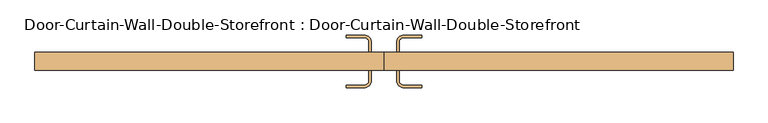
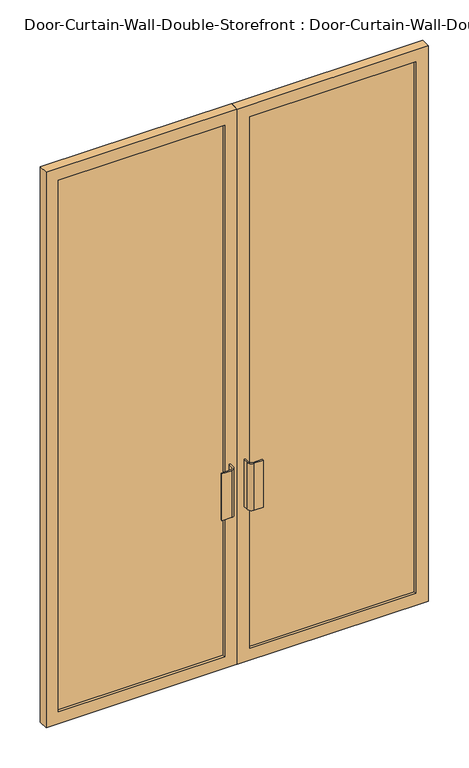
"""IFC4 building model written with IfcOpenShell, lengths in millimetres: door geometry, Door-Curtain-Wall-Double-Storefront : Door-Curtain-Wall-Double-Storefront."""

from ifc_helpers import new_model, si_unit, point, frame, frame_2d, origin, place, context, project, spatial, polyline, circle_curve, trimmed, segment, composite_curve, outline, extrude, source, transform, mapped, element, save


def door_curtain_wall_double_storefront_door_curtain_wall_double_0df2ced9(model_context):
    return source(origin(), model_context, "Body", "SweptSolid", [
        extrude(outline(polyline([(2711.45, 0.7668501), (0.0, 0.7668501), (0.0, 882.65), (2711.45, 882.65), (2711.45, 0.7668501)]), holes=[polyline([(2654.3, 57.9168501), (2654.3, 825.5), (57.15, 825.5), (57.15, 57.9168501), (2654.3, 57.9168501)])]), frame((0.0, 12.7, 0.0), z_axis=(0.0, 1.0, 0.0), x_axis=(0.0, 0.0, 1.0)), (0.0, 0.0, 1.0), 44.45),
        extrude(outline(polyline([(2711.45, -0.8206499), (2711.45, -882.65), (0.0, -882.65), (0.0, -0.8206499), (2711.45, -0.8206499)]), holes=[polyline([(2654.3, -825.5), (2654.3, -57.9706499), (57.15, -57.9706499), (57.15, -825.5), (2654.3, -825.5)])]), frame((0.0, 12.7, 0.0), z_axis=(0.0, 1.0, 0.0), x_axis=(0.0, 0.0, 1.0)), (0.0, 0.0, 1.0), 44.45),
        extrude(outline(polyline([(825.5, 25.4), (57.9168501, 25.4), (57.9168501, 44.45), (825.5, 44.45), (825.5, 25.4)])), frame((0.0, 0.0, 57.15), z_axis=(0.0, 0.0, 1.0), x_axis=(1.0, 0.0, 0.0)), (0.0, 0.0, 1.0), 2597.15),
        extrude(outline(polyline([(-57.9706499, 25.4), (-825.5, 25.4), (-825.5, 44.45), (-57.9706499, 44.45), (-57.9706499, 25.4)])), frame((0.0, 0.0, 57.15), z_axis=(0.0, 0.0, 1.0), x_axis=(1.0, 0.0, 0.0)), (0.0, 0.0, 1.0), 2597.15),
        extrude(outline(composite_curve([segment(trimmed(circle_curve(frame_2d((-50.8268999, -12.7)), 19.05), [point((-31.7768999, -12.7))], [point((-50.8268999, -31.75))], False, "CARTESIAN"), True, "CONTINUOUS"), segment(polyline([(-50.8268999, -31.75), (-95.2768999, -31.75), (-95.2768999, -25.4), (-50.8268999, -25.4)]), True, "CONTINUOUS"), segment(trimmed(circle_curve(frame_2d((-50.8268999, -12.7)), 12.7), [point((-50.8268999, -25.4))], [point((-38.1268999, -12.7))], True, "CARTESIAN"), True, "CONTINUOUS"), segment(polyline([(-38.1268999, -12.7), (-38.1268999, 12.7), (-31.7768999, 12.7), (-31.7768999, -12.7)]), True, "CONTINUOUS")], self_intersect=False)), frame((0.0, 0.0, 762.0), z_axis=(0.0, 0.0, 1.0), x_axis=(1.0, 0.0, 0.0)), (0.0, 0.0, 1.0), 228.6),
        extrude(outline(composite_curve([segment(polyline([(31.7231001, -12.7), (31.7231001, 12.7), (38.0731001, 12.7), (38.0731001, -12.7)]), True, "CONTINUOUS"), segment(trimmed(circle_curve(frame_2d((50.7731001, -12.7)), 12.7), [point((38.0731001, -12.7))], [point((50.7731001, -25.4))], True, "CARTESIAN"), True, "CONTINUOUS"), segment(polyline([(50.7731001, -25.4), (95.2231001, -25.4), (95.2231001, -31.75), (50.7731001, -31.75)]), True, "CONTINUOUS"), segment(trimmed(circle_curve(frame_2d((50.7731001, -12.7)), 19.05), [point((50.7731001, -31.75))], [point((31.7231001, -12.7))], False, "CARTESIAN"), True, "CONTINUOUS")], self_intersect=False)), frame((0.0, 0.0, 762.0), z_axis=(0.0, 0.0, 1.0), x_axis=(1.0, 0.0, 0.0)), (0.0, 0.0, 1.0), 228.6),
        extrude(outline(composite_curve([segment(polyline([(-31.7768999, 82.55), (-31.7768999, 57.15), (-38.1268999, 57.15), (-38.1268999, 82.55)]), True, "CONTINUOUS"), segment(trimmed(circle_curve(frame_2d((-50.8268999, 82.55)), 12.7), [point((-38.1268999, 82.55))], [point((-50.8268999, 95.25))], True, "CARTESIAN"), True, "CONTINUOUS"), segment(polyline([(-50.8268999, 95.25), (-95.2768999, 95.25), (-95.2768999, 101.6), (-50.8268999, 101.6)]), True, "CONTINUOUS"), segment(trimmed(circle_curve(frame_2d((-50.8268999, 82.55)), 19.05), [point((-50.8268999, 101.6))], [point((-31.7768999, 82.55))], False, "CARTESIAN"), True, "CONTINUOUS")], self_intersect=False)), frame((0.0, 0.0, 762.0), z_axis=(0.0, 0.0, 1.0), x_axis=(1.0, 0.0, 0.0)), (0.0, 0.0, 1.0), 228.6),
        extrude(outline(composite_curve([segment(trimmed(circle_curve(frame_2d((50.7731001, 82.55)), 19.05), [point((31.7231001, 82.55))], [point((50.7731001, 101.6))], False, "CARTESIAN"), True, "CONTINUOUS"), segment(polyline([(50.7731001, 101.6), (95.2231001, 101.6), (95.2231001, 95.25), (50.7731001, 95.25)]), True, "CONTINUOUS"), segment(trimmed(circle_curve(frame_2d((50.7731001, 82.55)), 12.7), [point((50.7731001, 95.25))], [point((38.0731001, 82.55))], True, "CARTESIAN"), True, "CONTINUOUS"), segment(polyline([(38.0731001, 82.55), (38.0731001, 57.15), (31.7231001, 57.15), (31.7231001, 82.55)]), True, "CONTINUOUS")], self_intersect=False)), frame((0.0, 0.0, 762.0), z_axis=(0.0, 0.0, 1.0), x_axis=(1.0, 0.0, 0.0)), (0.0, 0.0, 1.0), 228.6),
    ])


if __name__ == "__main__":
    model = new_model("IFC4")
    model_context = context("Model", 3, world=origin())
    ifc_project = project(units=[si_unit("LENGTHUNIT", "METRE", prefix="MILLI")], contexts=[model_context])
    site = spatial("IfcSite", under=ifc_project)
    building = spatial("IfcBuilding", under=site)
    placement = place(None, origin())
    door_curtain_wall_double_storefront_door_curtain_wall_double_shape = door_curtain_wall_double_storefront_door_curtain_wall_double_0df2ced9(model_context)
    element("IfcDoor", 1, ObjectType="Door-Curtain-Wall-Double-Storefront : Door-Curtain-Wall-Double-Storefront", at=placement, inside=building, context=model_context, shape_type="MappedRepresentation", body=[
        mapped(door_curtain_wall_double_storefront_door_curtain_wall_double_shape, transform((0.0, 0.0, 0.0), x_axis=(1.0, 0.0, 0.0), y_axis=(0.0, 1.0, 0.0), z_axis=(0.0, 0.0, 1.0))),
    ])
    save(model, "model.ifc")
